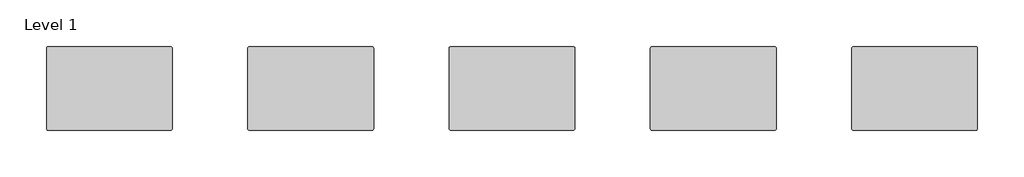
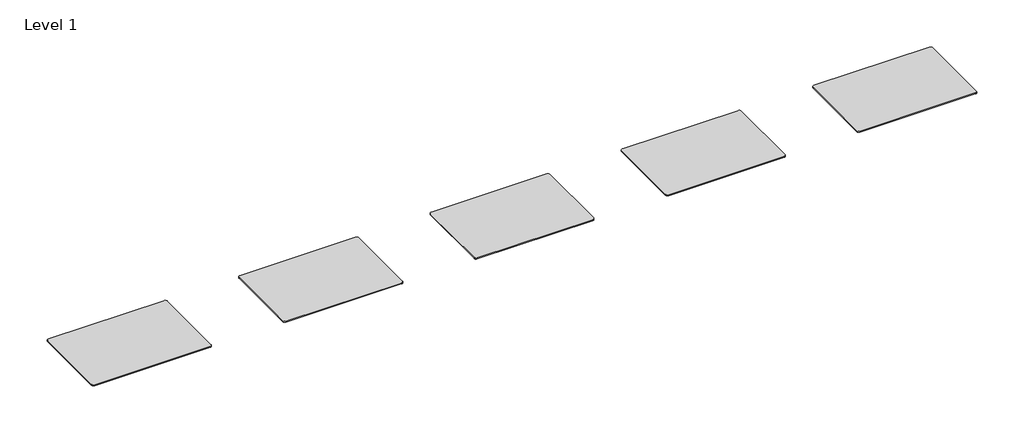
# One storey: 5 furniture elements.
"""IFC4 building model written with IfcOpenShell, lengths in millimetres."""

import ifcopenshell
import ifcopenshell.guid

model = None  # the IFC model being written
_history = None  # IfcOwnerHistory: only IFC2X3 demands one
_inside = {}  # id of a spatial element -> (the spatial element, [elements in it])
_under = {}  # id of a project, library or spatial element -> (it, [spatial elements below it])
_declared = {}  # id of a project -> (the project, [libraries it declares])
_typed = {}  # id of a type object -> (the type object, [elements of that type])
_made_of = {}  # id of a material, layer set ... -> (it, [elements and type objects made of it])


def new_model(schema):
    """Start an empty IFC model of exactly this schema.

    Asked for "IFC4X3", IfcOpenShell would pick the latest addendum, in which some entities
    have other attributes; the version numbers below select the first issue.
    IFC2X3 requires an IfcOwnerHistory on every rooted entity: one is made here for all.
    """
    global model, _history
    if schema == "IFC4X3":
        model = ifcopenshell.file(schema_version=(4, 3, 0, 0))
    else:
        model = ifcopenshell.file(schema=schema)
    _inside.clear()
    _under.clear()
    _declared.clear()
    _typed.clear()
    _made_of.clear()
    _history = None
    if model.schema == "IFC2X3":
        org = make("IfcOrganization", Name="unknown")
        user = make(
            "IfcPersonAndOrganization",
            ThePerson=make("IfcPerson", FamilyName="unknown"),
            TheOrganization=org,
        )
        app = make(
            "IfcApplication",
            ApplicationDeveloper=org,
            Version="unknown",
            ApplicationFullName="unknown",
            ApplicationIdentifier="unknown",
        )
        _history = make(
            "IfcOwnerHistory",
            OwningUser=user,
            OwningApplication=app,
            ChangeAction="ADDED",
            CreationDate=0,
        )
    return model


def make(cls, **values):
    """One entity of the class cls with the attributes given. An attribute that is None is left unset."""
    return model.create_entity(
        cls, **{name: value for name, value in values.items() if value is not None}
    )


def rooted(cls, **values):
    """An entity with a GlobalId (a new one), such as an element, a storey or a relation."""
    return make(cls, GlobalId=ifcopenshell.guid.new(), OwnerHistory=_history, **values)


def si_unit(unit_type, name, prefix=None):
    """IfcSIUnit, for example si_unit("LENGTHUNIT", "METRE", prefix="MILLI")."""
    return make("IfcSIUnit", UnitType=unit_type, Prefix=prefix, Name=name)


def assignment(units):
    """IfcUnitAssignment: the units of a project."""
    return None if units is None else make("IfcUnitAssignment", Units=units)


def point(xyz):
    """IfcCartesianPoint."""
    return None if xyz is None else make("IfcCartesianPoint", Coordinates=xyz)


def direction(xyz):
    """IfcDirection."""
    return None if xyz is None else make("IfcDirection", DirectionRatios=xyz)


def frame(location, z_axis=None, x_axis=None):
    """IfcAxis2Placement3D, a coordinate frame: its origin and axes. An axis left out is left unset."""
    return make(
        "IfcAxis2Placement3D",
        Location=point(location),
        Axis=direction(z_axis),
        RefDirection=direction(x_axis),
    )


def frame_2d(location, x_axis=None):
    """IfcAxis2Placement2D, a coordinate frame in the plane: its origin and x axis."""
    return make(
        "IfcAxis2Placement2D", Location=point(location), RefDirection=direction(x_axis)
    )


def origin():
    """The frame at (0, 0, 0) with its axes left unset."""
    return frame((0.0, 0.0, 0.0))


def place(relative_to, where):
    """IfcLocalPlacement: puts the frame where relative to a parent placement (None: the world)."""
    return make(
        "IfcLocalPlacement", PlacementRelTo=relative_to, RelativePlacement=where
    )


def context(
    kind, dimensions, precision=None, world=None, true_north=None, identifier=None
):
    """IfcGeometricRepresentationContext, for example the 3D "Model" context."""
    return make(
        "IfcGeometricRepresentationContext",
        ContextIdentifier=identifier,
        ContextType=kind,
        CoordinateSpaceDimension=dimensions,
        Precision=precision,
        WorldCoordinateSystem=world,
        TrueNorth=true_north,
    )


def project(units=None, contexts=None):
    """IfcProject with its units and contexts."""
    return rooted(
        "IfcProject",
        Name="project",
        RepresentationContexts=contexts,
        UnitsInContext=assignment(units),
    )


def spatial(cls, under=None, at=None, **own):
    """A site, building, storey or space (cls), placed at a placement, below another one or the project."""
    s = rooted(cls, ObjectPlacement=at, **own)
    if under is not None:
        _under.setdefault(under.id(), (under, []))[1].append(s)
    return s


def polyline(points):
    """IfcPolyline through the points."""
    return make("IfcPolyline", Points=[point(p) for p in points])


def circle_curve(where, radius):
    """IfcCircle in the frame where."""
    return make("IfcCircle", Position=where, Radius=radius)


def trimmed(basis, trim1, trim2, sense, master):
    """IfcTrimmedCurve: the piece of a basis curve between two trims."""
    return make(
        "IfcTrimmedCurve",
        BasisCurve=basis,
        Trim1=trim1,
        Trim2=trim2,
        SenseAgreement=sense,
        MasterRepresentation=master,
    )


def segment(curve, same_sense, transition):
    """IfcCompositeCurveSegment."""
    return make(
        "IfcCompositeCurveSegment",
        Transition=transition,
        SameSense=same_sense,
        ParentCurve=curve,
    )


def composite_curve(segments, self_intersect=None):
    """IfcCompositeCurve: segments joined end to end."""
    return make("IfcCompositeCurve", Segments=segments, SelfIntersect=self_intersect)


def outline(outer, holes=None, kind="AREA"):
    """IfcArbitraryClosedProfileDef: a profile drawn as a closed curve; with holes, ...WithVoids."""
    if holes is None:
        return make("IfcArbitraryClosedProfileDef", ProfileType=kind, OuterCurve=outer)
    return make(
        "IfcArbitraryProfileDefWithVoids",
        ProfileType=kind,
        OuterCurve=outer,
        InnerCurves=holes,
    )


def extrude(swept, where, along, depth):
    """IfcExtrudedAreaSolid: the profile swept, set in the frame where, extruded along a direction by depth."""
    return make(
        "IfcExtrudedAreaSolid",
        SweptArea=swept,
        Position=where,
        ExtrudedDirection=direction(along),
        Depth=depth,
    )


def shape(context_of_items, identifier, shape_type, items):
    """IfcShapeRepresentation: the items that make up one representation, for example the "Body"."""
    return make(
        "IfcShapeRepresentation",
        ContextOfItems=context_of_items,
        RepresentationIdentifier=identifier,
        RepresentationType=shape_type,
        Items=items,
    )


def source(mapping_origin, context_of_items, identifier, shape_type, items):
    """IfcRepresentationMap: a shape defined once, which mapped items show again and again."""
    return make(
        "IfcRepresentationMap",
        MappingOrigin=mapping_origin,
        MappedRepresentation=shape(context_of_items, identifier, shape_type, items),
    )


def transform(
    local_origin,
    x_axis=None,
    y_axis=None,
    z_axis=None,
    scale=None,
    scale2=None,
    scale3=None,
    uniform=True,
):
    """IfcCartesianTransformationOperator3D, or its non-uniform kind. x_axis, y_axis, z_axis: its Axis1, 2, 3."""
    if uniform:
        return make(
            "IfcCartesianTransformationOperator3D",
            Axis1=direction(x_axis),
            Axis2=direction(y_axis),
            LocalOrigin=point(local_origin),
            Scale=scale,
            Axis3=direction(z_axis),
        )
    return make(
        "IfcCartesianTransformationOperator3DnonUniform",
        Axis1=direction(x_axis),
        Axis2=direction(y_axis),
        LocalOrigin=point(local_origin),
        Scale=scale,
        Axis3=direction(z_axis),
        Scale2=scale2,
        Scale3=scale3,
    )


def mapped(mapping_source, mapping_target):
    """IfcMappedItem: shows the shape of a source again, moved by a transform."""
    return make(
        "IfcMappedItem", MappingSource=mapping_source, MappingTarget=mapping_target
    )


def made_of(thing, what):
    """Note that an element or type object is made of a material, layer set ...; save() writes the relation."""
    if what is not None:
        _made_of.setdefault(what.id(), (what, []))[1].append(thing)
    return thing


def element(
    cls,
    number,
    at=None,
    inside=None,
    cuts=None,
    type_object=None,
    material=None,
    context=None,
    identifier="Body",
    shape_type=None,
    held_by="IfcProductDefinitionShape",
    body=None,
    shapes=None,
    **own,
):
    """One element of the class cls, such as IfcWall. Its Tag is "e" and its number.

    at: its placement. inside: the storey or other place that contains it. cuts: it is an
    opening in that element (IfcRelVoidsElement). A single representation is given by context,
    identifier, shape_type and body (its items); several are given by shapes. held_by: the class
    of the entity that holds the representations. save() writes the other relations.
    """
    e = rooted(cls, Tag="e%d" % number, ObjectPlacement=at, **own)
    if body is not None:
        shapes = [shape(context, identifier, shape_type, body)]
    if shapes is not None:
        e.Representation = make(held_by, Representations=shapes)
    if inside is not None:
        _inside.setdefault(inside.id(), (inside, []))[1].append(e)
    if cuts is not None:
        rooted(
            "IfcRelVoidsElement", RelatingBuildingElement=cuts, RelatedOpeningElement=e
        )
    if type_object is not None:
        _typed.setdefault(type_object.id(), (type_object, []))[1].append(e)
    return made_of(e, material)


def aggregate(whole, parts):
    """IfcRelAggregates: a whole, such as a stair, and the parts it consists of."""
    return rooted("IfcRelAggregates", RelatingObject=whole, RelatedObjects=parts)


def save(model, path):
    """Write the relations noted so far, then the file.

    IfcRelAggregates (storeys below a building ...), IfcRelContainedInSpatialStructure (elements
    in a storey), IfcRelDefinesByType, IfcRelAssociatesMaterial and IfcRelDeclares: one each for
    every whole, place, type object, material and project.
    """
    for whole, parts in _under.values():
        aggregate(whole, parts)
    for where, things in _inside.values():
        rooted(
            "IfcRelContainedInSpatialStructure",
            RelatedElements=things,
            RelatingStructure=where,
        )
    for kind, things in _typed.values():
        rooted("IfcRelDefinesByType", RelatedObjects=things, RelatingType=kind)
    for what, things in _made_of.values():
        rooted("IfcRelAssociatesMaterial", RelatedObjects=things, RelatingMaterial=what)
    for by, libraries in _declared.values():
        rooted("IfcRelDeclares", RelatingContext=by, RelatedDefinitions=libraries)
    model.write(path)


def furniture_2008_material_sample3_2x3x1_8_96bf408c(model_context):
    return source(origin(), model_context, "Body", "SweptSolid", [
        extrude(outline(composite_curve([segment(trimmed(circle_curve(frame_2d((21215.2392185, 10811.8982463)), 6.35), [point((21215.2392185, 10818.2482463))], [point((21221.5892185, 10811.8982463))], False, "CARTESIAN"), True, "CONTINUOUS"), segment(polyline([(21221.5892185, 10811.8982463), (21221.5892185, 10570.5982463)]), True, "CONTINUOUS"), segment(trimmed(circle_curve(frame_2d((21215.2392185, 10570.5982463)), 6.35), [point((21221.5892185, 10570.5982463))], [point((21215.2392185, 10564.2482463))], False, "CARTESIAN"), True, "CONTINUOUS"), segment(polyline([(21215.2392185, 10564.2482463), (20846.9392185, 10564.2482463)]), True, "CONTINUOUS"), segment(trimmed(circle_curve(frame_2d((20846.9392185, 10570.5982463)), 6.35), [point((20846.9392185, 10564.2482463))], [point((20840.5892185, 10570.5982463))], False, "CARTESIAN"), True, "CONTINUOUS"), segment(polyline([(20840.5892185, 10570.5982463), (20840.5892185, 10811.8982463)]), True, "CONTINUOUS"), segment(trimmed(circle_curve(frame_2d((20846.9392185, 10811.8982463)), 6.35), [point((20840.5892185, 10811.8982463))], [point((20846.9392185, 10818.2482463))], False, "CARTESIAN"), True, "CONTINUOUS"), segment(polyline([(20846.9392185, 10818.2482463), (21215.2392185, 10818.2482463)]), True, "CONTINUOUS")], self_intersect=False)), frame((0.0, 0.0, -3.175), z_axis=(0.0, 0.0, 1.0), x_axis=(1.0, 0.0, 0.0)), (0.0, 0.0, 1.0), 3.175),
    ])


model = new_model("IFC4")

# Units and contexts
model_context = context("Model", 3, world=origin())
ifc_project = project(units=[si_unit("LENGTHUNIT", "METRE", prefix="MILLI")], contexts=[model_context])

# Site, building, storey
site = spatial("IfcSite", under=ifc_project)
building = spatial("IfcBuilding", under=site)
storey = spatial("IfcBuildingStorey", under=building, Name="Level 1", Elevation=0.0)

# Furniture
placement = place(None, origin())
furniture_2008_material_sample3_2x3x1_8_shape = furniture_2008_material_sample3_2x3x1_8_96bf408c(model_context)
element("IfcFurniture", 1, ObjectType="2008_Material Sample3 : 2x3x1/8", at=placement, inside=storey, context=model_context, shape_type="MappedRepresentation", body=[
    mapped(furniture_2008_material_sample3_2x3x1_8_shape, transform((-21031.0892185, -11072.2482463, 25.3999999), x_axis=(1.0, 0.0, 0.0), y_axis=(0.0, 1.0, 0.0), z_axis=(0.0, 0.0, 1.0))),
])
element("IfcFurniture", 2, ObjectType="2008_Material Sample3 : 2x3x1/8", at=placement, inside=storey, context=model_context, shape_type="MappedRepresentation", body=[
    mapped(furniture_2008_material_sample3_2x3x1_8_shape, transform((-20421.4892185, -11072.2482463, 25.3999999), x_axis=(1.0, 0.0, 0.0), y_axis=(0.0, 1.0, 0.0), z_axis=(0.0, 0.0, 1.0))),
])
element("IfcFurniture", 3, ObjectType="2008_Material Sample3 : 2x3x1/8", at=placement, inside=storey, context=model_context, shape_type="MappedRepresentation", body=[
    mapped(furniture_2008_material_sample3_2x3x1_8_shape, transform((-19811.8892185, -11072.2482463, 25.3999999), x_axis=(1.0, 0.0, 0.0), y_axis=(0.0, 1.0, 0.0), z_axis=(0.0, 0.0, 1.0))),
])
element("IfcFurniture", 4, ObjectType="2008_Material Sample3 : 2x3x1/8", at=placement, inside=storey, context=model_context, shape_type="MappedRepresentation", body=[
    mapped(furniture_2008_material_sample3_2x3x1_8_shape, transform((-19202.2892185, -11072.2482463, 25.3999999), x_axis=(1.0, 0.0, 0.0), y_axis=(0.0, 1.0, 0.0), z_axis=(0.0, 0.0, 1.0))),
])
element("IfcFurniture", 5, ObjectType="2008_Material Sample3 : 2x3x1/8", at=placement, inside=storey, context=model_context, shape_type="MappedRepresentation", body=[
    mapped(furniture_2008_material_sample3_2x3x1_8_shape, transform((-18592.6892185, -11072.2482463, 25.3999999), x_axis=(1.0, 0.0, 0.0), y_axis=(0.0, 1.0, 0.0), z_axis=(0.0, 0.0, 1.0))),
])

save(model, "model.ifc")
